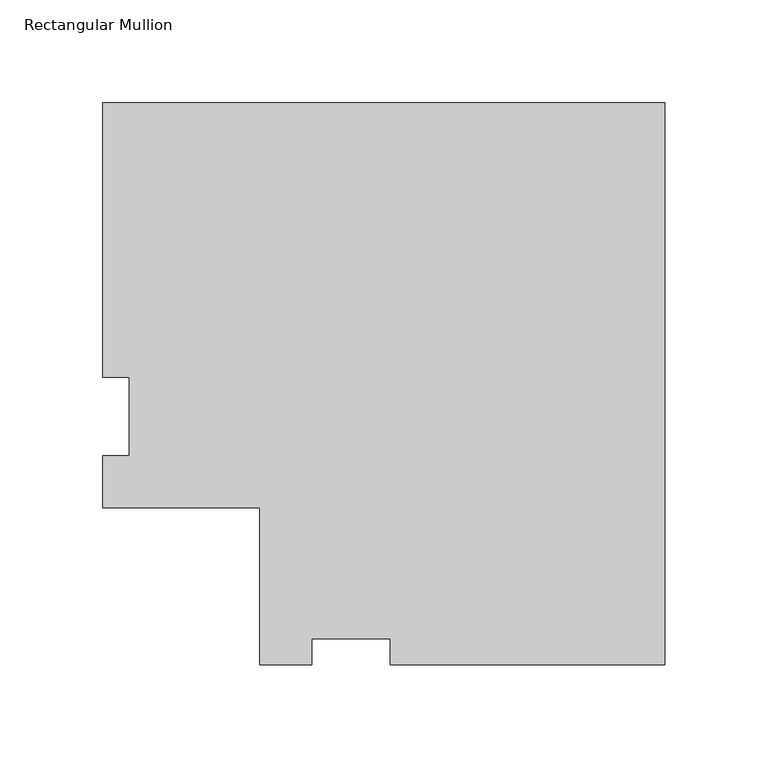
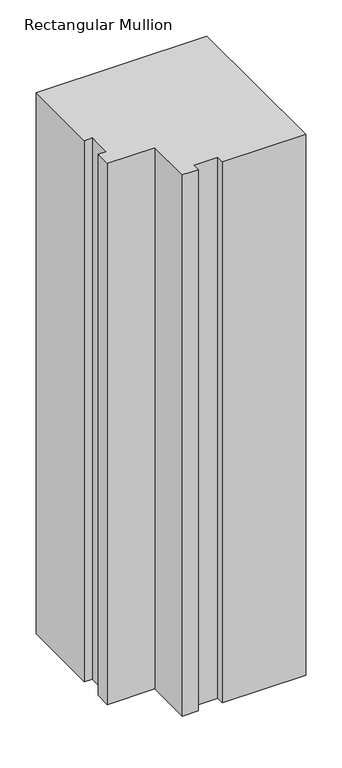
"""IFC4 building model written with IfcOpenShell, lengths in millimetres: member geometry, Rectangular Mullion."""

from ifc_helpers import new_model, si_unit, frame, origin, place, context, project, spatial, polyline, outline, extrude, source, transform, mapped, element, save


def rectangular_mullion_ce4e0339(model_context):
    return source(origin(), model_context, "Body", "SweptSolid", [
        extrude(outline(polyline([(0.0, 190.5992188), (0.0, -82.4645439), (-133.3500001, -82.4645439), (-133.3500001, -69.7645439), (-171.45, -69.7645439), (-171.45, -82.4645434), (-196.8637627, -82.4645434), (-196.8637627, -6.2645439), (-273.0637621, -6.2645439), (-273.0637621, 19.1492188), (-260.3637627, 19.1492188), (-260.3637627, 57.2492187), (-273.0637632, 57.2492187), (-273.0637632, 190.5992188), (0.0, 190.5992188)])), frame((0.0, 0.0, -914.4), z_axis=(0.0, 0.0, 1.0), x_axis=(1.0, 0.0, 0.0)), (0.0, 0.0, 1.0), 914.4),
    ])


if __name__ == "__main__":
    model = new_model("IFC4")
    model_context = context("Model", 3, world=origin())
    ifc_project = project(units=[si_unit("LENGTHUNIT", "METRE", prefix="MILLI")], contexts=[model_context])
    site = spatial("IfcSite", under=ifc_project)
    building = spatial("IfcBuilding", under=site)
    placement = place(None, origin())
    rectangular_mullion_shape = rectangular_mullion_ce4e0339(model_context)
    element("IfcMember", 1, ObjectType="Rectangular Mullion", at=placement, inside=building, context=model_context, shape_type="MappedRepresentation", body=[
        mapped(rectangular_mullion_shape, transform((0.0, 0.0, 0.0), x_axis=(1.0, 0.0, 0.0), y_axis=(0.0, 1.0, 0.0), z_axis=(0.0, 0.0, 1.0))),
    ])
    save(model, "model.ifc")
